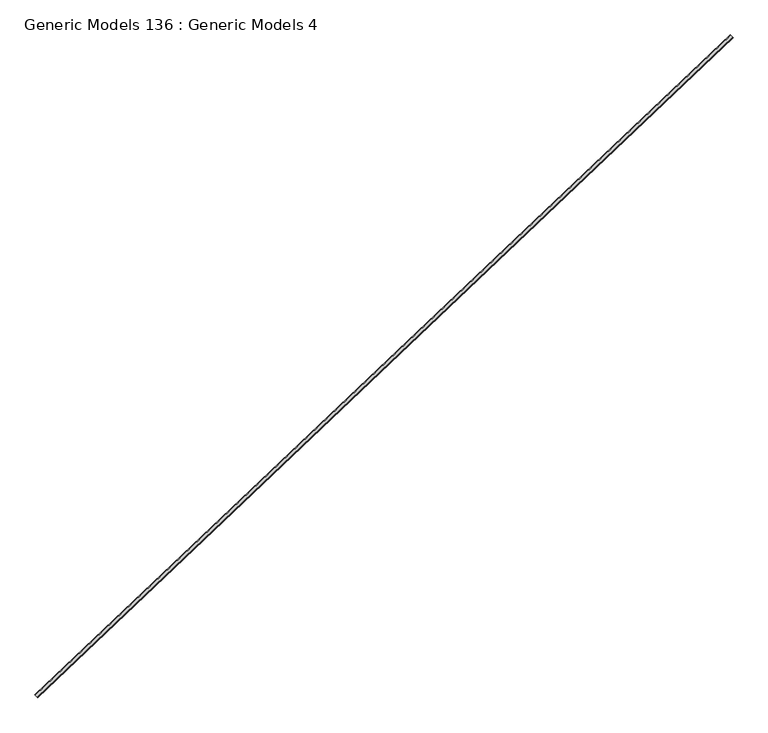
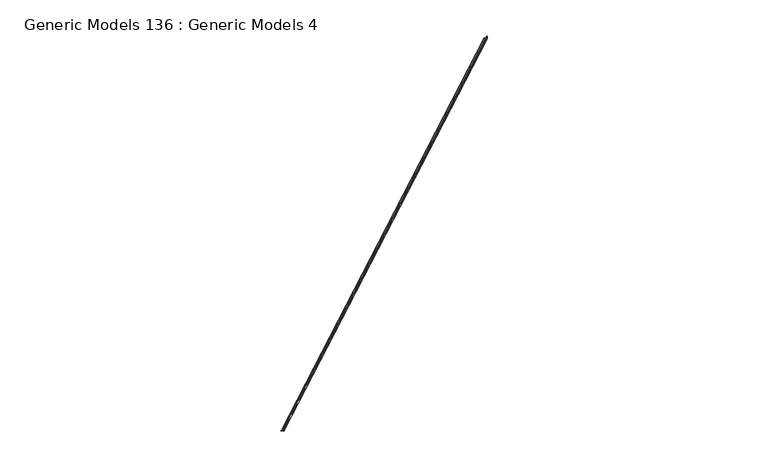
"""IFC4 building model written with IfcOpenShell, lengths in millimetres: proxy geometry, Generic Models 136 : Generic Models 4."""

from ifc_helpers import new_model, si_unit, point, frame, frame_2d, origin, place, context, project, spatial, polyline, circle_curve, trimmed, segment, composite_curve, outline, extrude, source, transform, mapped, element, save


def generic_models_136_generic_models_4_495558db(model_context):
    return source(origin(), model_context, "Body", "SweptSolid", [
        extrude(outline(composite_curve([segment(polyline([(0.0, 0.0), (76.1984912, 0.0)]), True, "CONTINUOUS"), segment(trimmed(circle_curve(frame_2d((68.6760552, 1.2806729)), 7.6306728), [point((76.1984912, 0.0))], [point((68.6760552, -6.3499999))], False, "CARTESIAN"), True, "CONTINUOUS"), segment(polyline([(68.6760552, -6.3499999), (13.9806728, -6.3499999)]), True, "CONTINUOUS"), segment(trimmed(circle_curve(frame_2d((13.9806728, -13.9806728)), 7.6306728), [point((13.9806728, -6.3499999))], [point((6.35, -13.9806728))], True, "CARTESIAN"), True, "CONTINUOUS"), segment(polyline([(6.35, -13.9806728), (6.35, -68.6760551)]), True, "CONTINUOUS"), segment(trimmed(circle_curve(frame_2d((-1.2806728, -68.6760551)), 7.6306728), [point((6.35, -68.6760551))], [point((0.0, -76.1984912))], False, "CARTESIAN"), True, "CONTINUOUS"), segment(polyline([(0.0, -76.1984912), (0.0, 0.0)]), True, "CONTINUOUS")], self_intersect=False)), frame((95512.9195262, 49098.2797024, 17094.2), z_axis=(0.725374371012385, 0.6883545756936514, 0.0), x_axis=(0.0, 0.0, 1.0)), (0.0, 0.0, 1.0), 17679.9875),
    ])


if __name__ == "__main__":
    model = new_model("IFC4")
    model_context = context("Model", 3, world=origin())
    ifc_project = project(units=[si_unit("LENGTHUNIT", "METRE", prefix="MILLI")], contexts=[model_context])
    site = spatial("IfcSite", under=ifc_project)
    building = spatial("IfcBuilding", under=site)
    placement = place(None, origin())
    generic_models_136_generic_models_4_shape = generic_models_136_generic_models_4_495558db(model_context)
    element("IfcBuildingElementProxy", 1, Name="Generic Models 136 : Generic Models 4", ObjectType="Generic Models 136 : Generic Models 4", at=placement, inside=building, context=model_context, shape_type="MappedRepresentation", body=[
        mapped(generic_models_136_generic_models_4_shape, transform((0.0, 0.0, 0.0), x_axis=(1.0, 0.0, 0.0), y_axis=(0.0, 1.0, 0.0), z_axis=(0.0, 0.0, 1.0))),
    ])
    save(model, "model.ifc")
